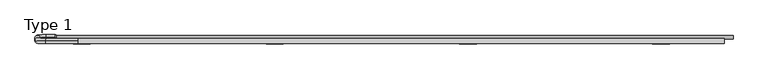
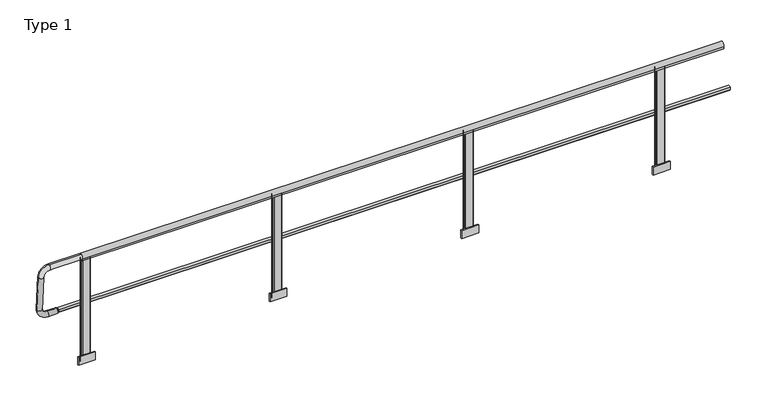
"""IFC4 building model written with IfcOpenShell, lengths in millimetres: railing geometry, Type 1."""

from ifc_helpers import new_model, si_unit, point, frame, frame_2d, origin, place, context, project, spatial, polyline, circle_curve, ellipse_curve, trimmed, segment, composite_curve, outline, extrude, source, transform, mapped, element, save
from ifc_brep_helpers import plane_surface, cylinder_surface, revolved_surface, advanced_brep


def type_1_514cc63e(model_context):
    return source(origin(), model_context, "Body", "SolidModel", [
        extrude(outline(polyline([(3733.3333333, -48.5), (3573.3333333, -48.5), (3573.3333333, -38.0), (3733.3333333, -38.0), (3733.3333333, -48.5)])), frame((0.0, 0.0, -79.9999999), z_axis=(0.0, 0.0, 1.0), x_axis=(1.0, 0.0, 0.0)), (0.0, 0.0, 1.0), 80.0),
        extrude(outline(composite_curve([segment(trimmed(circle_curve(frame_2d((3618.3333333, -33.0)), 5.0), [point((3618.3333333, -38.0))], [point((3613.3333333, -33.0))], False, "CARTESIAN"), True, "CONTINUOUS"), segment(polyline([(3613.3333333, -33.0), (3613.3333333, -5.0)]), True, "CONTINUOUS"), segment(trimmed(circle_curve(frame_2d((3618.3333333, -5.0)), 5.0), [point((3613.3333333, -5.0))], [point((3618.3333333, 0.0))], False, "CARTESIAN"), True, "CONTINUOUS"), segment(polyline([(3618.3333333, 0.0), (3688.3333333, 0.0)]), True, "CONTINUOUS"), segment(trimmed(circle_curve(frame_2d((3688.3333333, -5.0)), 5.0), [point((3688.3333333, 0.0))], [point((3693.3333333, -5.0))], False, "CARTESIAN"), True, "CONTINUOUS"), segment(polyline([(3693.3333333, -5.0), (3693.3333333, -33.0)]), True, "CONTINUOUS"), segment(trimmed(circle_curve(frame_2d((3688.3333333, -33.0)), 5.0), [point((3693.3333333, -33.0))], [point((3688.3333333, -38.0))], False, "CARTESIAN"), True, "CONTINUOUS"), segment(polyline([(3688.3333333, -38.0), (3618.3333333, -38.0)]), True, "CONTINUOUS")], self_intersect=False)), frame((0.0, 0.0, -79.9999999), z_axis=(0.0, 0.0, 1.0), x_axis=(1.0, 0.0, 0.0)), (0.0, 0.0, 1.0), 1038.0),
        extrude(outline(polyline([(1926.6666667, -48.5), (1766.6666667, -48.5), (1766.6666667, -38.0), (1926.6666667, -38.0), (1926.6666667, -48.5)])), frame((0.0, 0.0, -79.9999999), z_axis=(0.0, 0.0, 1.0), x_axis=(1.0, 0.0, 0.0)), (0.0, 0.0, 1.0), 80.0),
        extrude(outline(composite_curve([segment(trimmed(circle_curve(frame_2d((1811.6666667, -33.0)), 5.0), [point((1811.6666667, -38.0))], [point((1806.6666667, -33.0))], False, "CARTESIAN"), True, "CONTINUOUS"), segment(polyline([(1806.6666667, -33.0), (1806.6666667, -5.0)]), True, "CONTINUOUS"), segment(trimmed(circle_curve(frame_2d((1811.6666667, -5.0)), 5.0), [point((1806.6666667, -5.0))], [point((1811.6666667, 0.0))], False, "CARTESIAN"), True, "CONTINUOUS"), segment(polyline([(1811.6666667, 0.0), (1881.6666667, 0.0)]), True, "CONTINUOUS"), segment(trimmed(circle_curve(frame_2d((1881.6666667, -5.0)), 5.0), [point((1881.6666667, 0.0))], [point((1886.6666667, -5.0))], False, "CARTESIAN"), True, "CONTINUOUS"), segment(polyline([(1886.6666667, -5.0), (1886.6666667, -33.0)]), True, "CONTINUOUS"), segment(trimmed(circle_curve(frame_2d((1881.6666667, -33.0)), 5.0), [point((1886.6666667, -33.0))], [point((1881.6666667, -38.0))], False, "CARTESIAN"), True, "CONTINUOUS"), segment(polyline([(1881.6666667, -38.0), (1811.6666667, -38.0)]), True, "CONTINUOUS")], self_intersect=False)), frame((0.0, 0.0, -79.9999999), z_axis=(0.0, 0.0, 1.0), x_axis=(1.0, 0.0, 0.0)), (0.0, 0.0, 1.0), 1038.0),
        advanced_brep(
        [(-200.0, 15.7, 468.0), (-200.0, 15.7, 508.0), (-210.0, 15.7, 463.0), (-210.0, 15.7, 513.0)],
        [
            (0, 1, circle_curve(frame((-200.0, 15.7, 488.0), z_axis=(1.0, 0.0, 0.0), x_axis=(0.0, 0.0, -1.0)), 20.0)),
            (1, 0, circle_curve(frame((-200.0, 15.7, 488.0), z_axis=(1.0, 0.0, 0.0), x_axis=(0.0, 0.0, 1.0)), 20.0)),
            (2, 3, circle_curve(frame((-210.0, 15.7, 488.0), z_axis=(-1.0, 0.0, 0.0), x_axis=(0.0, 0.0, 1.0)), 25.0)),
            (3, 2, circle_curve(frame((-210.0, 15.7, 488.0), z_axis=(-1.0, 0.0, 0.0), x_axis=(0.0, 0.0, -1.0)), 25.0)),
            (3, 1),
            (0, 2),
        ],
        [
            plane_surface(frame((-200.0, 15.7, 488.0), z_axis=(1.0, 0.0, 0.0), x_axis=(0.0, 1.0, 0.0))),
            plane_surface(frame((-210.0, 15.7, 488.0), z_axis=(-1.0, 0.0, 0.0), x_axis=(0.0, 1.0, 0.0))),
            revolved_surface(polyline([(-200.0, 15.7, 468.0), (-210.0, 15.7, 463.0)]), (-160.0, 15.7, 488.0), (-1.0, 0.0, 0.0)),
            revolved_surface(polyline([(-200.0, 15.7, 508.0), (-210.0, 15.7, 513.0)]), (-160.0, 15.7, 488.0), (-1.0, 0.0, 0.0)),
        ],
        [
            (0, [[1, 2]]),
            (1, [[3, 4]]),
            (2, [[-4, 5, -1, 6]]),
            (3, [[-3, -6, -2, -5]]),
        ],
    ),
        advanced_brep(
        [(0.0, -20.7768095, 999.936779), (0.0, -17.2231905, 950.063221), (-300.0, -20.7768095, 999.936779), (-300.0, -17.2231905, 950.063221), (-350.0, -13.6695715, 900.1896629), (-400.0, -13.6695715, 900.1896629), (-400.0, 10.3600004, 562.9446635), (-350.0, 10.3600004, 562.9446635), (-300.0, 13.9136194, 513.0711054), (-300.0, 17.4672384, 463.1975474), (-210.0, 17.4672384, 463.1975474), (-210.0, 13.9136194, 513.0711054)],
        [
            (0, 1, circle_curve(frame((0.0, -19.0, 975.0), z_axis=(1.0, 0.0, 0.0), x_axis=(0.0, 0.07107238045513664, -0.9974711608545084)), 25.0)),
            (1, 0, circle_curve(frame((0.0, -19.0, 975.0), z_axis=(1.0, 0.0, 0.0), x_axis=(0.0, 0.07107238045513664, -0.9974711608545084)), 25.0)),
            (0, 2),
            (2, 3, circle_curve(frame((-300.0, -19.0, 975.0), z_axis=(1.0, 0.0, 0.0), x_axis=(0.0, 0.07107238045513664, -0.9974711608545084)), 25.0)),
            (3, 1),
            (3, 2, circle_curve(frame((-300.0, -19.0, 975.0), z_axis=(1.0, 0.0, 0.0), x_axis=(0.0, 0.07107238045513664, -0.9974711608545084)), 25.0)),
            (4, 3, circle_curve(frame((-300.0, -13.6695715, 900.1896629), z_axis=(0.0, 0.9974711608545084, 0.07107238045513664), x_axis=(0.0, -0.07107238045513664, 0.9974711608545084)), 50.0)),
            (2, 5, circle_curve(frame((-300.0, -13.6695715, 900.1896629), z_axis=(0.0, -0.9974711608545084, -0.07107238045513664), x_axis=(0.0, -0.07107238045513664, 0.9974711608545084)), 100.0)),
            (5, 4, circle_curve(frame((-375.0, -13.6695715, 900.1896629), z_axis=(0.0, -0.07107238045513664, 0.9974711608545084), x_axis=(1.0000000000000002, 0.0, 0.0)), 25.0)),
            (4, 5, circle_curve(frame((-375.0, -13.6695715, 900.1896629), z_axis=(0.0, -0.07107238045513664, 0.9974711608545084), x_axis=(1.0000000000000002, 0.0, 0.0)), 25.0)),
            (5, 6),
            (6, 7, circle_curve(frame((-375.0, 10.3600004, 562.9446635), z_axis=(0.0, -0.07107238045513667, 0.9974711608545085), x_axis=(1.0, 0.0, 0.0)), 25.0)),
            (7, 4),
            (7, 6, circle_curve(frame((-375.0, 10.3600004, 562.9446635), z_axis=(0.0, -0.07107238045513667, 0.9974711608545085), x_axis=(1.0, 0.0, 0.0)), 25.0)),
            (8, 7, circle_curve(frame((-300.0, 10.3600004, 562.9446635), z_axis=(0.0, 0.9974711608545084, 0.07107238045513664), x_axis=(-1.0, 0.0, 0.0)), 50.0)),
            (6, 9, circle_curve(frame((-300.0, 10.3600004, 562.9446635), z_axis=(0.0, -0.9974711608545084, -0.07107238045513664), x_axis=(-1.0, 0.0, 0.0)), 100.0)),
            (9, 8, circle_curve(frame((-300.0, 15.6904289, 488.1343264), z_axis=(-1.0, 0.0, 0.0), x_axis=(0.0, -0.07107238045513666, 0.9974711608545084)), 25.0)),
            (8, 9, circle_curve(frame((-300.0, 15.6904289, 488.1343264), z_axis=(-1.0, 0.0, 0.0), x_axis=(0.0, -0.07107238045513666, 0.9974711608545084)), 25.0)),
            (10, 11, circle_curve(frame((-210.0, 15.6904289, 488.1343264), z_axis=(1.0, 0.0, 0.0), x_axis=(0.0, -0.07107238045513664, 0.9974711608545084)), 25.0)),
            (11, 10, circle_curve(frame((-210.0, 15.6904289, 488.1343264), z_axis=(1.0, 0.0, 0.0), x_axis=(0.0, -0.07107238045513664, 0.9974711608545084)), 25.0)),
            (9, 10),
            (11, 8),
        ],
        [
            plane_surface(frame((0.0, -20.7768095, 999.936779), z_axis=(1.0000000000000002, 0.0, 0.0), x_axis=(0.0, -0.9974711608545084, -0.07107238045513664))),
            cylinder_surface(frame((0.0, -19.0, 975.0), z_axis=(1.0000000000000002, 0.0, 0.0), x_axis=(0.0, 0.07107238045513664, -0.9974711608545084)), 25.0),
            revolved_surface(trimmed(ellipse_curve(frame((-300.0, -19.0, 975.0), z_axis=(1.0000000000000002, 0.0, 0.0), x_axis=(0.0, 0.07107238045513664, -0.9974711608545084)), 25.0, 25.0), [point((-300.0, -20.7768095, 999.936779))], [point((-300.0, -17.2231905, 950.063221))], True, "CARTESIAN"), (-300.0, -13.6695715, 900.1896629), (0.0, -0.9974711608545084, -0.07107238045513664)),
            revolved_surface(trimmed(ellipse_curve(frame((-300.0, -19.0, 975.0), z_axis=(1.0000000000000002, 0.0, 0.0), x_axis=(0.0, 0.07107238045513664, -0.9974711608545084)), 25.0, 25.0), [point((-300.0, -17.2231905, 950.063221))], [point((-300.0, -20.7768095, 999.936779))], True, "CARTESIAN"), (-300.0, -13.6695715, 900.1896629), (0.0, -0.9974711608545084, -0.07107238045513664)),
            cylinder_surface(frame((-375.0, -13.6695715, 900.1896629), z_axis=(0.0, -0.07107238045513666, 0.9974711608545083), x_axis=(1.0, 0.0, 0.0)), 25.0),
            revolved_surface(trimmed(ellipse_curve(frame((-375.0, 10.3600004, 562.9446635), z_axis=(0.0, -0.07107238045513667, 0.9974711608545084), x_axis=(1.0, 0.0, 0.0)), 25.0, 25.0), [point((-400.0, 10.3600004, 562.9446635))], [point((-350.0, 10.3600004, 562.9446635))], True, "CARTESIAN"), (-300.0, 10.3600004, 562.9446635), (0.0, -0.9974711608545084, -0.07107238045513664)),
            revolved_surface(trimmed(ellipse_curve(frame((-375.0, 10.3600004, 562.9446635), z_axis=(0.0, -0.07107238045513667, 0.9974711608545084), x_axis=(1.0, 0.0, 0.0)), 25.0, 25.0), [point((-350.0, 10.3600004, 562.9446635))], [point((-400.0, 10.3600004, 562.9446635))], True, "CARTESIAN"), (-300.0, 10.3600004, 562.9446635), (0.0, -0.9974711608545084, -0.07107238045513664)),
            plane_surface(frame((-210.0, 17.4672384, 463.1975474), z_axis=(1.0000000000000002, 0.0, 0.0), x_axis=(0.0, -0.9974711608545084, -0.07107238045513664))),
            cylinder_surface(frame((-300.0, 15.6904289, 488.1343264), z_axis=(-1.0, 0.0, 0.0), x_axis=(0.0, -0.07107238045513664, 0.9974711608545084)), 25.0),
        ],
        [
            (0, [[1, 2]]),
            (1, [[-1, 3, 4, 5]]),
            (1, [[-2, -5, 6, -3]]),
            (2, [[7, -4, 8, 9]]),
            (3, [[-8, -6, -7, 10]]),
            (4, [[-9, 11, 12, 13]]),
            (4, [[-10, -13, 14, -11]]),
            (5, [[15, -12, 16, 17]]),
            (6, [[-16, -14, -15, 18]]),
            (7, [[19, 20]]),
            (8, [[-17, 21, -20, 22]]),
            (8, [[-18, -22, -19, -21]]),
        ],
    ),
        extrude(outline(composite_curve([segment(trimmed(circle_curve(frame_2d((15.712495, 488.0)), 20.0), [point((34.3, 480.617273))], [point((0.0, 475.6259343))], False, "CARTESIAN"), True, "CONTINUOUS"), segment(polyline([(0.0, 475.6259343), (0.0, 500.3740657)]), True, "CONTINUOUS"), segment(trimmed(circle_curve(frame_2d((15.712495, 488.0)), 20.0), [point((0.0, 500.3740657))], [point((34.3, 495.382727))], False, "CARTESIAN"), True, "CONTINUOUS"), segment(polyline([(34.3, 495.382727), (30.3, 495.382727), (30.3, 480.617273), (34.3, 480.617273)]), True, "CONTINUOUS")], self_intersect=False)), frame((-200.0, 0.0, 0.0), z_axis=(1.0, 0.0, 0.0), x_axis=(0.0, 1.0, 0.0)), (0.0, 0.0, 1.0), 6335.0),
        extrude(outline(composite_curve([segment(trimmed(circle_curve(frame_2d((-19.0, 975.0)), 25.0), [point((-40.0, 961.43534))], [point((2.0, 961.43534))], False, "CARTESIAN"), True, "CONTINUOUS"), segment(polyline([(2.0, 961.43534), (2.0, 943.0), (1.0, 943.0), (1.0, 958.0), (-39.0, 958.0), (-39.0, 943.0), (-40.0, 943.0), (-40.0, 961.43534)]), True, "CONTINUOUS")], self_intersect=False)), frame((0.0, 0.0, 0.0), z_axis=(1.0, 0.0, 0.0), x_axis=(0.0, 1.0, 0.0)), (0.0, 0.0, 1.0), 6050.0),
        extrude(outline(polyline([(5540.0, -48.5), (5380.0, -48.5), (5380.0, -38.0), (5540.0, -38.0), (5540.0, -48.5)])), frame((0.0, 0.0, -80.0), z_axis=(0.0, 0.0, 1.0), x_axis=(1.0, 0.0, 0.0)), (0.0, 0.0, 1.0), 80.0),
        extrude(outline(composite_curve([segment(trimmed(circle_curve(frame_2d((5425.0, -33.0)), 5.0), [point((5425.0, -38.0))], [point((5420.0, -33.0))], False, "CARTESIAN"), True, "CONTINUOUS"), segment(polyline([(5420.0, -33.0), (5420.0, -5.0)]), True, "CONTINUOUS"), segment(trimmed(circle_curve(frame_2d((5425.0, -5.0)), 5.0), [point((5420.0, -5.0))], [point((5425.0, 0.0))], False, "CARTESIAN"), True, "CONTINUOUS"), segment(polyline([(5425.0, 0.0), (5495.0, 0.0)]), True, "CONTINUOUS"), segment(trimmed(circle_curve(frame_2d((5495.0, -5.0)), 5.0), [point((5495.0, 0.0))], [point((5500.0, -5.0))], False, "CARTESIAN"), True, "CONTINUOUS"), segment(polyline([(5500.0, -5.0), (5500.0, -33.0)]), True, "CONTINUOUS"), segment(trimmed(circle_curve(frame_2d((5495.0, -33.0)), 5.0), [point((5500.0, -33.0))], [point((5495.0, -38.0))], False, "CARTESIAN"), True, "CONTINUOUS"), segment(polyline([(5495.0, -38.0), (5425.0, -38.0)]), True, "CONTINUOUS")], self_intersect=False)), frame((0.0, 0.0, -80.0), z_axis=(0.0, 0.0, 1.0), x_axis=(1.0, 0.0, 0.0)), (0.0, 0.0, 1.0), 1038.0),
        extrude(outline(polyline([(120.0, -48.5), (-40.0, -48.5), (-40.0, -38.0), (120.0, -38.0), (120.0, -48.5)])), frame((0.0, 0.0, -80.0), z_axis=(0.0, 0.0, 1.0), x_axis=(1.0, 0.0, 0.0)), (0.0, 0.0, 1.0), 80.0),
        extrude(outline(composite_curve([segment(trimmed(circle_curve(frame_2d((5.0, -33.0)), 5.0), [point((5.0, -38.0))], [point((0.0, -33.0))], False, "CARTESIAN"), True, "CONTINUOUS"), segment(polyline([(0.0, -33.0), (0.0, -5.0)]), True, "CONTINUOUS"), segment(trimmed(circle_curve(frame_2d((5.0, -5.0)), 5.0), [point((0.0, -5.0))], [point((5.0, 0.0))], False, "CARTESIAN"), True, "CONTINUOUS"), segment(polyline([(5.0, 0.0), (75.0, 0.0)]), True, "CONTINUOUS"), segment(trimmed(circle_curve(frame_2d((75.0, -5.0)), 5.0), [point((75.0, 0.0))], [point((80.0, -5.0))], False, "CARTESIAN"), True, "CONTINUOUS"), segment(polyline([(80.0, -5.0), (80.0, -33.0)]), True, "CONTINUOUS"), segment(trimmed(circle_curve(frame_2d((75.0, -33.0)), 5.0), [point((80.0, -33.0))], [point((75.0, -38.0))], False, "CARTESIAN"), True, "CONTINUOUS"), segment(polyline([(75.0, -38.0), (5.0, -38.0)]), True, "CONTINUOUS")], self_intersect=False)), frame((0.0, 0.0, -80.0), z_axis=(0.0, 0.0, 1.0), x_axis=(1.0, 0.0, 0.0)), (0.0, 0.0, 1.0), 1038.0),
    ])


if __name__ == "__main__":
    model = new_model("IFC4")
    model_context = context("Model", 3, world=origin())
    ifc_project = project(units=[si_unit("LENGTHUNIT", "METRE", prefix="MILLI")], contexts=[model_context])
    site = spatial("IfcSite", under=ifc_project)
    building = spatial("IfcBuilding", under=site)
    placement = place(None, origin())
    type_1_shape = type_1_514cc63e(model_context)
    element("IfcRailing", 1, ObjectType="Type 1", at=placement, inside=building, context=model_context, shape_type="MappedRepresentation", body=[
        mapped(type_1_shape, transform((0.0, 0.0, 0.0), x_axis=(1.0, 0.0, 0.0), y_axis=(0.0, 1.0, 0.0), z_axis=(0.0, 0.0, 1.0))),
    ])
    save(model, "model.ifc")
